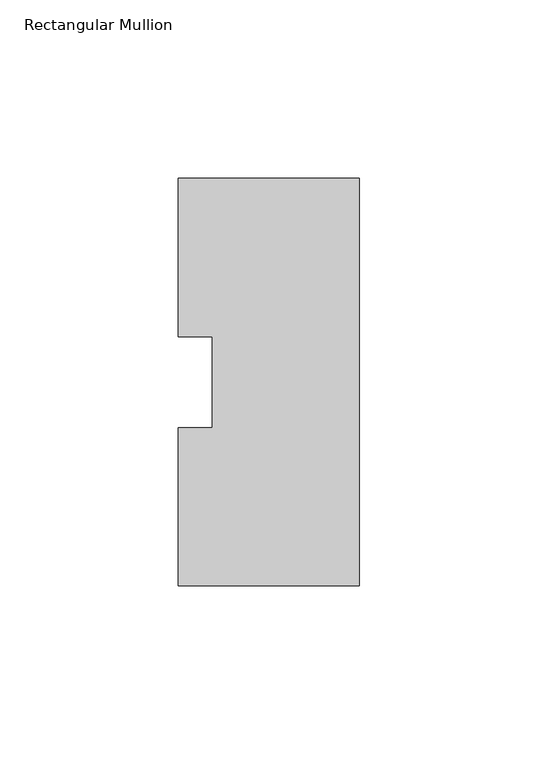
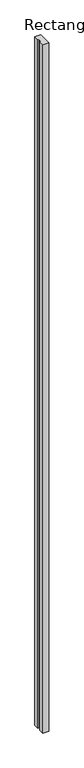
"""IFC4 building model written with IfcOpenShell, lengths in millimetres: member geometry, Rectangular Mullion."""

from ifc_helpers import new_model, si_unit, frame, origin, place, context, project, spatial, polyline, outline, extrude, source, transform, mapped, element, save


def rectangular_mullion_06cf66b0(model_context):
    return source(origin(), model_context, "Body", "SweptSolid", [
        extrude(outline(polyline([(0.0, -57.1519275), (-50.8, -57.1388465), (-50.8, -12.7438492), (-41.275, -12.7438492), (-41.275, 12.7438492), (-50.8, 12.7438492), (-50.8, 57.1611535), (0.0, 57.1611535), (0.0, -57.1519275)])), frame((0.0, 0.0, -6096.0), z_axis=(0.0, 0.0, 1.0), x_axis=(1.0, 0.0, 0.0)), (0.0, 0.0, 1.0), 6096.0),
    ])


if __name__ == "__main__":
    model = new_model("IFC4")
    model_context = context("Model", 3, world=origin())
    ifc_project = project(units=[si_unit("LENGTHUNIT", "METRE", prefix="MILLI")], contexts=[model_context])
    site = spatial("IfcSite", under=ifc_project)
    building = spatial("IfcBuilding", under=site)
    placement = place(None, origin())
    rectangular_mullion_shape = rectangular_mullion_06cf66b0(model_context)
    element("IfcMember", 1, ObjectType="Rectangular Mullion", at=placement, inside=building, context=model_context, shape_type="MappedRepresentation", body=[
        mapped(rectangular_mullion_shape, transform((0.0, 0.0, 0.0), x_axis=(1.0, 0.0, 0.0), y_axis=(0.0, 1.0, 0.0), z_axis=(0.0, 0.0, 1.0))),
    ])
    save(model, "model.ifc")
